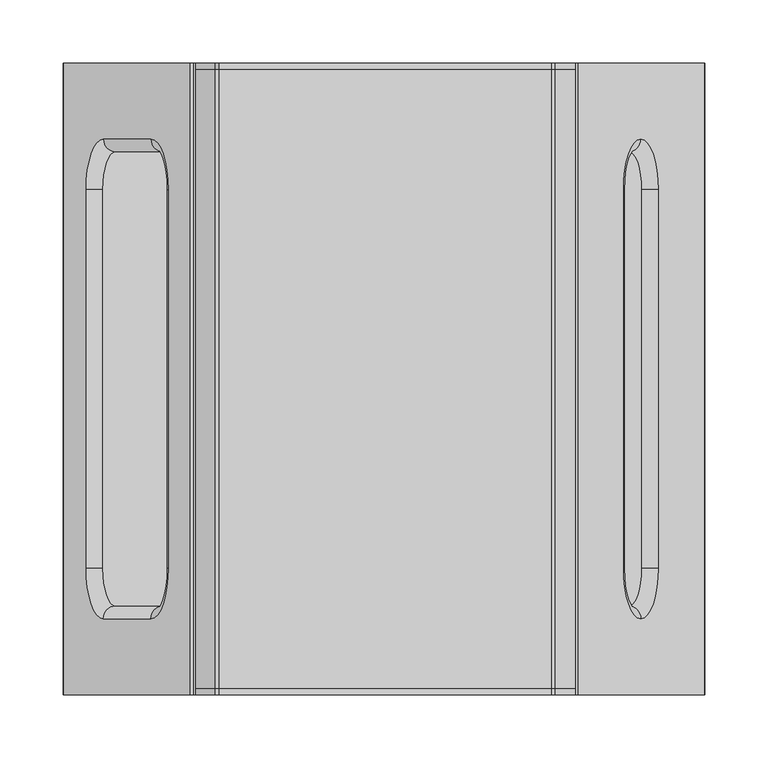
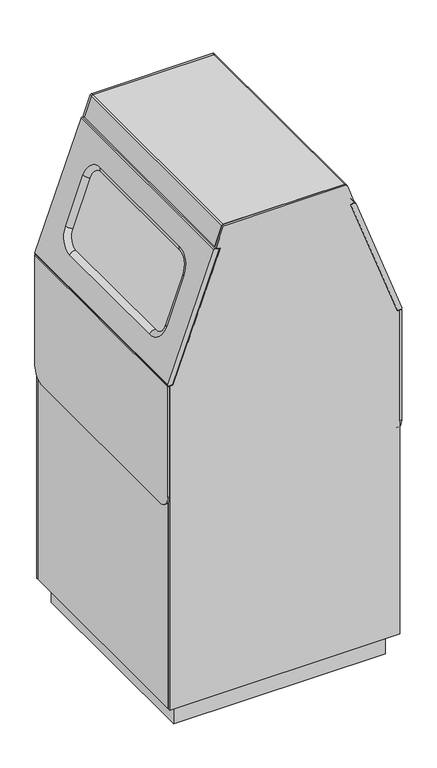
"""IFC4 building model written with IfcOpenShell, lengths in millimetres: furniture geometry."""

from ifc_helpers import new_model, si_unit, point, frame, frame_2d, origin, origin_with_axes, place, context, project, spatial, polyline, circle_curve, ellipse_curve, trimmed, segment, composite_curve, outline, extrude, source, transform, mapped, element, save
from ifc_brep_helpers import plane_surface, cylinder_surface, revolved_surface, advanced_brep


def furniture_3913953d(model_context):
    return source(origin(), model_context, "Body", "SolidModel", [
        extrude(outline(polyline([(232.491566, 230.0), (232.491566, -230.0), (-227.491566, -230.0), (-227.491566, 230.0), (232.491566, 230.0)])), origin_with_axes(), (0.0, 0.0, 1.0), 50.1281076),
        advanced_brep(
        [(146.0932396, -250.0, 1072.1902417), (246.5647051, -250.0, 795.7630514), (254.383259, -250.0, 795.7627889), (256.2410158, -250.0, 798.4145852), (156.1722964, -250.0, 1073.7336998), (153.6191469, -250.0, 1074.9256417), (146.0932396, 250.0, 1072.1902417), (153.6191469, 250.0, 1074.9256417), (156.1722964, 250.0, 1073.7336998), (256.2410158, 250.0, 798.4145852), (254.383259, 250.0, 795.7627889), (246.5647051, 250.0, 795.7630514), (186.0844766, -149.9027397, 962.1623325), (196.3307232, -179.8975729, 933.9718296), (206.5769697, -149.9027397, 905.7813268), (206.5769697, 149.9027397, 905.7813268), (196.3307232, 179.8975729, 933.9718296), (186.0844766, 149.9027397, 962.1623325), (205.7291761, -189.9027397, 937.3878335), (192.0651608, -149.9027397, 974.9816452), (192.0651608, 149.9027397, 974.9816452), (205.7291761, 189.9027397, 937.3878335), (219.3931914, 149.9027397, 899.7940217), (219.3931914, -149.9027397, 899.7940217)],
        [
            (0, 1),
            (1, 2),
            (2, 3, circle_curve(frame((254.3833253, -250.0, 797.7393807), z_axis=(0.0, -1.0, 0.0), x_axis=(1.0, 0.0, 0.0)), 1.9765918)),
            (3, 4),
            (4, 5, circle_curve(frame((154.2997508, -250.0, 1073.053096), z_axis=(0.0, -1.0, 0.0), x_axis=(1.0, 0.0, 0.0)), 1.9923978)),
            (5, 0),
            (6, 7),
            (7, 8, circle_curve(frame((154.2997508, 250.0, 1073.053096), z_axis=(0.0, 1.0, 0.0), x_axis=(1.0, 0.0, 0.0)), 1.9923978)),
            (8, 9),
            (9, 10, circle_curve(frame((254.3833253, 250.0, 797.7393807), z_axis=(0.0, 1.0, 0.0), x_axis=(1.0, 0.0, 0.0)), 1.9765918)),
            (10, 11),
            (11, 6),
            (0, 6),
            (11, 1),
            (12, 13, circle_curve(frame((196.3307232, -149.9027397, 933.9718296), z_axis=(0.9398452948509541, 0.0, 0.3416003831182324), x_axis=(-0.3416003831182324, 0.0, 0.9398452948509541)), 29.9948332)),
            (13, 14, circle_curve(frame((196.3307232, -149.9027397, 933.9718296), z_axis=(0.9398452948509541, 0.0, 0.3416003831182324), x_axis=(0.0, -1.0, 0.0)), 29.9948332)),
            (14, 15),
            (15, 16, circle_curve(frame((196.3307232, 149.9027397, 933.9718296), z_axis=(0.9398452948509541, 0.0, 0.3416003831182324), x_axis=(0.3416003831182324, 0.0, -0.9398452948509541)), 29.9948332)),
            (16, 17, circle_curve(frame((196.3307232, 149.9027397, 933.9718296), z_axis=(0.9398452948509541, 0.0, 0.3416003831182324), x_axis=(0.0, 1.0, 0.0)), 29.9948332)),
            (17, 12),
            (10, 2),
            (9, 3),
            (8, 4),
            (18, 19, circle_curve(frame((205.7291761, -149.9027397, 937.3878335), z_axis=(-0.9398452948509541, 0.0, -0.3416003831182324), x_axis=(-0.3416003831182324, 0.0, 0.9398452948509541)), 40.0)),
            (19, 20),
            (20, 21, circle_curve(frame((205.7291761, 149.9027397, 937.3878335), z_axis=(-0.9398452948509541, 0.0, -0.3416003831182324), x_axis=(0.0, 1.0, 0.0)), 40.0)),
            (21, 22, circle_curve(frame((205.7291761, 149.9027397, 937.3878335), z_axis=(-0.9398452948509541, 0.0, -0.3416003831182324), x_axis=(0.3416003831182324, 0.0, -0.9398452948509541)), 40.0)),
            (22, 23),
            (23, 18, circle_curve(frame((205.7291761, -149.9027397, 937.3878335), z_axis=(-0.9398452948509541, 0.0, -0.3416003831182324), x_axis=(0.0, -1.0, 0.0)), 40.0)),
            (7, 5),
            (12, 19, circle_curve(frame((182.6618506, -149.9027397, 971.563876), z_axis=(0.0, -1.0, 0.0), x_axis=(-1.0, 0.0, 0.0)), 10.0051681)),
            (18, 13, circle_curve(frame((196.3258659, -189.9027397, 933.9700642), z_axis=(-0.34160038311823226, 0.0, 0.9398452948509541), x_axis=(-0.8833091782534778, -0.3416003831182324, -0.32105151279295163)), 10.0051681)),
            (23, 14, circle_curve(frame((209.9898813, -149.9027397, 896.3762524), z_axis=(0.0, -1.0, 0.0), x_axis=(-0.7666183565069538, 0.0, -0.642103025585908)), 10.0051681)),
            (22, 15, circle_curve(frame((209.9898813, 149.9027397, 896.3762524), z_axis=(0.0, -1.0, 0.0), x_axis=(-0.7666183565069538, 0.0, -0.642103025585908)), 10.0051681)),
            (21, 16, circle_curve(frame((196.3258659, 189.9027397, 933.9700642), z_axis=(0.3416003831182325, 0.0, -0.9398452948509544), x_axis=(-0.8833091782534752, 0.3416003831182325, -0.3210515127929585)), 10.0051681)),
            (20, 17, circle_curve(frame((182.6618506, 149.9027397, 971.563876), z_axis=(0.0, 1.0000000000000002, 0.0), x_axis=(-1.0, 0.0, 0.0)), 10.0051681)),
        ],
        [
            plane_surface(frame((246.5647051, -250.0, 795.7630514), z_axis=(0.0, -1.0, 0.0), x_axis=(0.3416003831181263, 0.0, -0.9398452948509927))),
            plane_surface(frame((246.5647051, 250.0, 795.7630514), z_axis=(0.0, 1.0, 0.0), x_axis=(-0.3416003831181263, 0.0, 0.9398452948509927))),
            plane_surface(frame((146.0932396, -250.0, 1072.1902417), z_axis=(-0.9398452948509927, 0.0, -0.3416003831181263), x_axis=(0.0, 1.0, 0.0))),
            plane_surface(frame((246.5647051, -250.0, 795.7630514), z_axis=(-3.3566365622777426e-05, 0.0, -0.9999999994366495), x_axis=(0.0, 1.0, 0.0))),
            cylinder_surface(frame((254.3833253, 250.0, 797.7393807), z_axis=(0.0, -1.0, 0.0), x_axis=(1.0, 0.0, 0.0)), 1.9765918),
            plane_surface(frame((256.2410158, -250.0, 798.4145852), z_axis=(0.9398452948509542, 0.0, 0.34160038311823204), x_axis=(0.0, 1.0, 0.0))),
            cylinder_surface(frame((154.2997508, 250.0, 1073.053096), z_axis=(0.0, -1.0, 0.0), x_axis=(1.0, 0.0, 0.0)), 1.9923978),
            plane_surface(frame((153.6191469, -250.0, 1074.9256417), z_axis=(-0.34160038311813345, 0.0, 0.9398452948509901), x_axis=(0.0, 1.0, 0.0))),
            revolved_surface(trimmed(ellipse_curve(frame((182.6618506, -149.9027397, 971.563876), z_axis=(0.0, 1.0, 0.0), x_axis=(-1.0, 0.0, 0.0)), 10.0051681, 10.0051681), [point((192.0651608, -149.9027397, 974.9816452))], [point((186.0844766, -149.9027397, 962.1623325))], True, "CARTESIAN"), (205.7291761, -149.9027397, 937.3878335), (0.9398452948509541, 0.0, 0.3416003831182324)),
            revolved_surface(trimmed(ellipse_curve(frame((196.3258659, -189.9027397, 933.9700642), z_axis=(-0.34160038311823243, 0.0, 0.9398452948509541), x_axis=(-0.8833091782534769, -0.3416003831182324, -0.3210515127929541)), 10.0051681, 10.0051681), [point((205.7291761, -189.9027397, 937.3878335))], [point((196.3307232, -179.8975729, 933.9718296))], True, "CARTESIAN"), (205.7291761, -149.9027397, 937.3878335), (0.9398452948509541, 0.0, 0.3416003831182324)),
            cylinder_surface(frame((209.9898813, -149.9027397, 896.3762524), z_axis=(0.0, -1.0, 0.0), x_axis=(-0.7666183565069538, 0.0, -0.642103025585908)), 10.0051681),
            revolved_surface(trimmed(ellipse_curve(frame((209.9898813, 149.9027397, 896.3762524), z_axis=(0.0, -1.0000000000000002, 0.0), x_axis=(-0.7666183565069538, 0.0, -0.6421030255859081)), 10.0051681, 10.0051681), [point((219.3931914, 149.9027397, 899.7940217))], [point((206.5769697, 149.9027397, 905.7813268))], True, "CARTESIAN"), (205.7291761, 149.9027397, 937.3878335), (0.9398452948509541, 0.0, 0.3416003831182324)),
            revolved_surface(trimmed(ellipse_curve(frame((196.3258659, 189.9027397, 933.9700642), z_axis=(0.34160038311823243, 0.0, -0.9398452948509544), x_axis=(-0.8833091782534765, 0.3416003831182325, -0.3210515127929551)), 10.0051681, 10.0051681), [point((205.7291761, 189.9027397, 937.3878335))], [point((196.3307232, 179.8975729, 933.9718296))], True, "CARTESIAN"), (205.7291761, 149.9027397, 937.3878335), (0.9398452948509541, 0.0, 0.3416003831182324)),
            cylinder_surface(frame((182.6618506, 149.9027397, 971.563876), z_axis=(0.0, 1.0, 0.0), x_axis=(-1.0, 0.0, 0.0)), 10.0051681),
        ],
        [
            (0, [[1, 2, 3, 4, 5, 6]]),
            (1, [[7, 8, 9, 10, 11, 12]]),
            (2, [[-1, 13, -12, 14], [15, 16, 17, 18, 19, 20]]),
            (3, [[-2, -14, -11, 21]]),
            (4, [[-3, -21, -10, 22]]),
            (5, [[-4, -22, -9, 23], [24, 25, 26, 27, 28, 29]]),
            (6, [[-5, -23, -8, 30]]),
            (7, [[-6, -30, -7, -13]]),
            (8, [[-15, 31, -24, 32]]),
            (9, [[-32, -29, 33, -16]]),
            (10, [[-33, -28, 34, -17]]),
            (11, [[-34, -27, 35, -18]]),
            (12, [[-35, -26, 36, -19]]),
            (13, [[-31, -20, -36, -25]]),
        ],
    ),
        advanced_brep(
        [(-141.0932396, -250.0, 1072.1902417), (-148.6191469, -250.0, 1074.9256417), (-151.1722964, -250.0, 1073.7336998), (-251.2410158, -250.0, 798.4145852), (-249.383259, -250.0, 795.7627889), (-241.5647051, -250.0, 795.7630514), (-141.0932396, 250.0, 1072.1902417), (-241.5647051, 250.0, 795.7630514), (-249.383259, 250.0, 795.7627889), (-251.2410158, 250.0, 798.4145852), (-151.1722964, 250.0, 1073.7336998), (-148.6191469, 250.0, 1074.9256417), (-172.5427021, -179.8975729, 985.6633208), (-162.2964556, -149.9027397, 1013.8538237), (-162.2964556, 149.9027397, 1013.8538237), (-172.5427021, 179.8975729, 985.6633208), (-210.1187442, 179.8975729, 882.2803384), (-220.3649908, 149.9027397, 854.0898355), (-220.3649908, -149.9027397, 854.0898355), (-210.1187442, -179.8975729, 882.2803384), (-168.2771397, -149.9027397, 1026.6731365), (-181.941155, -189.9027397, 989.0793247), (-219.5171972, -189.9027397, 885.6963422), (-233.1812125, -149.9027397, 848.1025304), (-233.1812125, 149.9027397, 848.1025304), (-219.5171972, 189.9027397, 885.6963422), (-181.941155, 189.9027397, 989.0793247), (-168.2771397, 149.9027397, 1026.6731365)],
        [
            (0, 1),
            (1, 2, circle_curve(frame((-149.2997508, -250.0, 1073.053096), z_axis=(0.0, -1.0, 0.0), x_axis=(-1.0, 0.0, 0.0)), 1.9923978)),
            (2, 3),
            (3, 4, circle_curve(frame((-249.3833253, -250.0, 797.7393807), z_axis=(0.0, -1.0, 0.0), x_axis=(-1.0, 0.0, 0.0)), 1.9765918)),
            (4, 5),
            (5, 0),
            (6, 7),
            (7, 8),
            (8, 9, circle_curve(frame((-249.3833253, 250.0, 797.7393807), z_axis=(0.0, 1.0, 0.0), x_axis=(-1.0, 0.0, 0.0)), 1.9765918)),
            (9, 10),
            (10, 11, circle_curve(frame((-149.2997508, 250.0, 1073.053096), z_axis=(0.0, 1.0, 0.0), x_axis=(-1.0, 0.0, 0.0)), 1.9923978)),
            (11, 6),
            (5, 7),
            (6, 0),
            (12, 13, circle_curve(frame((-172.5427021, -149.9027397, 985.6633208), z_axis=(-0.9398452948509541, 0.0, 0.3416003831182324), x_axis=(0.3416003831182324, 0.0, 0.9398452948509541)), 29.9948332)),
            (13, 14),
            (14, 15, circle_curve(frame((-172.5427021, 149.9027397, 985.6633208), z_axis=(-0.9398452948509541, 0.0, 0.3416003831182324), x_axis=(0.0, 1.0, 0.0)), 29.9948332)),
            (15, 16),
            (16, 17, circle_curve(frame((-210.1187442, 149.9027397, 882.2803384), z_axis=(-0.9398452948509541, 0.0, 0.3416003831182324), x_axis=(-0.3416003831182324, 0.0, -0.9398452948509541)), 29.9948332)),
            (17, 18),
            (18, 19, circle_curve(frame((-210.1187442, -149.9027397, 882.2803384), z_axis=(-0.9398452948509541, 0.0, 0.3416003831182324), x_axis=(0.0, -1.0, 0.0)), 29.9948332)),
            (19, 12),
            (4, 8),
            (3, 9),
            (2, 10),
            (20, 21, circle_curve(frame((-181.941155, -149.9027397, 989.0793247), z_axis=(0.9398452948509541, 0.0, -0.3416003831182324), x_axis=(0.3416003831182324, 0.0, 0.9398452948509541)), 40.0)),
            (21, 22),
            (22, 23, circle_curve(frame((-219.5171972, -149.9027397, 885.6963422), z_axis=(0.9398452948509541, 0.0, -0.3416003831182324), x_axis=(0.0, -1.0, 0.0)), 40.0)),
            (23, 24),
            (24, 25, circle_curve(frame((-219.5171972, 149.9027397, 885.6963422), z_axis=(0.9398452948509541, 0.0, -0.3416003831182324), x_axis=(-0.3416003831182324, 0.0, -0.9398452948509541)), 40.0)),
            (25, 26),
            (26, 27, circle_curve(frame((-181.941155, 149.9027397, 989.0793247), z_axis=(0.9398452948509541, 0.0, -0.3416003831182324), x_axis=(0.0, 1.0, 0.0)), 40.0)),
            (27, 20),
            (1, 11),
            (20, 13, circle_curve(frame((-158.8738295, -149.9027397, 1023.2553672), z_axis=(0.0, -1.0, 0.0), x_axis=(1.0, 0.0, 0.0)), 10.0051681)),
            (12, 21, circle_curve(frame((-172.5378449, -189.9027397, 985.6615554), z_axis=(0.3416003831182322, 0.0, 0.9398452948509541), x_axis=(0.883309178253477, -0.34160038311823243, -0.32105151279295385)), 10.0051681)),
            (19, 22, circle_curve(frame((-210.113887, -189.9027397, 882.278573), z_axis=(0.34160038311823226, 0.0, 0.9398452948509541), x_axis=(0.8833091782534771, -0.34160038311823243, -0.3210515127929534)), 10.0051681)),
            (18, 23, circle_curve(frame((-223.7779023, -149.9027397, 844.6847612), z_axis=(0.0, -1.0000000000000002, 0.0), x_axis=(0.7666183565069538, 0.0, -0.6421030255859081)), 10.0051681)),
            (17, 24, circle_curve(frame((-223.7779023, 149.9027397, 844.6847612), z_axis=(0.0, -1.0, 0.0), x_axis=(0.7666183565069536, 0.0, -0.6421030255859081)), 10.0051681)),
            (16, 25, circle_curve(frame((-210.113887, 189.9027397, 882.278573), z_axis=(-0.3416003831182326, 0.0, -0.9398452948509542), x_axis=(0.8833091782534762, 0.34160038311823254, -0.32105151279295585)), 10.0051681)),
            (15, 26, circle_curve(frame((-172.5378449, 189.9027397, 985.6615554), z_axis=(-0.3416003831182326, 0.0, -0.9398452948509541), x_axis=(0.883309178253477, 0.3416003831182326, -0.3210515127929537)), 10.0051681)),
            (14, 27, circle_curve(frame((-158.8738295, 149.9027397, 1023.2553672), z_axis=(0.0, 1.0, 0.0), x_axis=(1.0, 0.0, 0.0)), 10.0051681)),
        ],
        [
            plane_surface(frame((-148.612002, -250.0, 1074.9230447), z_axis=(0.0, -1.0, 0.0), x_axis=(-0.9398452948509906, 0.0, 0.34160038311813207))),
            plane_surface(frame((-148.612002, 250.0, 1074.9230447), z_axis=(0.0, 1.0, 0.0), x_axis=(0.9398452948509906, 0.0, -0.34160038311813207))),
            plane_surface(frame((-241.5647051, -250.0, 795.7630514), z_axis=(0.9398452948509927, 0.0, -0.34160038311812635), x_axis=(0.0, 1.0, 0.0))),
            plane_surface(frame((-249.383259, -250.0, 795.7627889), z_axis=(3.3566365622777426e-05, 0.0, -0.9999999994366495), x_axis=(0.0, 1.0, 0.0))),
            cylinder_surface(frame((-249.3833253, 250.0, 797.7393807), z_axis=(0.0, -1.0, 0.0), x_axis=(-1.0, 0.0, 0.0)), 1.9765918),
            plane_surface(frame((-151.1722964, -250.0, 1073.7336998), z_axis=(-0.9398452948509542, 0.0, 0.3416003831182321), x_axis=(0.0, 1.0, 0.0))),
            cylinder_surface(frame((-149.2997508, 250.0, 1073.053096), z_axis=(0.0, -1.0, 0.0), x_axis=(-1.0, 0.0, 0.0)), 1.9923978),
            plane_surface(frame((-141.0932396, -250.0, 1072.1902417), z_axis=(0.34160038311813207, 0.0, 0.9398452948509906), x_axis=(0.0, 1.0, 0.0))),
            revolved_surface(trimmed(ellipse_curve(frame((-158.8738295, -149.9027397, 1023.2553672), z_axis=(0.0, 1.0, 0.0), x_axis=(1.0, 0.0, 0.0)), 10.0051681, 10.0051681), [point((-162.2964556, -149.9027397, 1013.8538237))], [point((-168.2771397, -149.9027397, 1026.6731365))], True, "CARTESIAN"), (-181.941155, -149.9027397, 989.0793247), (0.9398452948509541, 0.0, -0.3416003831182324)),
            cylinder_surface(frame((-172.5378449, -189.9027397, 985.6615554), z_axis=(0.3416003831182323, 0.0, 0.9398452948509544), x_axis=(0.8833091782534771, -0.34160038311823243, -0.3210515127929534)), 10.0051681),
            revolved_surface(trimmed(ellipse_curve(frame((-210.113887, -189.9027397, 882.278573), z_axis=(0.34160038311823226, 0.0, 0.9398452948509545), x_axis=(0.8833091782534771, -0.3416003831182325, -0.32105151279295385)), 10.0051681, 10.0051681), [point((-210.1187442, -179.8975729, 882.2803384))], [point((-219.5171972, -189.9027397, 885.6963422))], True, "CARTESIAN"), (-219.5171972, -149.9027397, 885.6963422), (0.9398452948509541, 0.0, -0.3416003831182324)),
            cylinder_surface(frame((-223.7779023, -149.9027397, 844.6847612), z_axis=(0.0, -1.0, 0.0), x_axis=(0.7666183565069536, 0.0, -0.6421030255859081)), 10.0051681),
            revolved_surface(trimmed(ellipse_curve(frame((-223.7779023, 149.9027397, 844.6847612), z_axis=(0.0, -1.0000000000000002, 0.0), x_axis=(0.7666183565069536, 0.0, -0.6421030255859081)), 10.0051681, 10.0051681), [point((-220.3649908, 149.9027397, 854.0898355))], [point((-233.1812125, 149.9027397, 848.1025304))], True, "CARTESIAN"), (-219.5171972, 149.9027397, 885.6963422), (0.9398452948509541, 0.0, -0.3416003831182324)),
            cylinder_surface(frame((-210.113887, 189.9027397, 882.278573), z_axis=(-0.3416003831182326, 0.0, -0.9398452948509541), x_axis=(0.883309178253477, 0.3416003831182326, -0.3210515127929537)), 10.0051681),
            revolved_surface(trimmed(ellipse_curve(frame((-172.5378449, 189.9027397, 985.6615554), z_axis=(-0.34160038311823243, 0.0, -0.9398452948509541), x_axis=(0.8833091782534768, 0.34160038311823265, -0.3210515127929541)), 10.0051681, 10.0051681), [point((-172.5427021, 179.8975729, 985.6633208))], [point((-181.941155, 189.9027397, 989.0793247))], True, "CARTESIAN"), (-181.941155, 149.9027397, 989.0793247), (0.9398452948509541, 0.0, -0.3416003831182324)),
            cylinder_surface(frame((-158.8738295, 149.9027397, 1023.2553672), z_axis=(0.0, 1.0, 0.0), x_axis=(1.0, 0.0, 0.0)), 10.0051681),
        ],
        [
            (0, [[1, 2, 3, 4, 5, 6]]),
            (1, [[7, 8, 9, 10, 11, 12]]),
            (2, [[-6, 13, -7, 14], [15, 16, 17, 18, 19, 20, 21, 22]]),
            (3, [[-5, 23, -8, -13]]),
            (4, [[-4, 24, -9, -23]]),
            (5, [[-3, 25, -10, -24], [26, 27, 28, 29, 30, 31, 32, 33]]),
            (6, [[-2, 34, -11, -25]]),
            (7, [[-1, -14, -12, -34]]),
            (8, [[-26, 35, -15, 36]]),
            (9, [[-36, -22, 37, -27]]),
            (10, [[-37, -21, 38, -28]]),
            (11, [[-38, -20, 39, -29]]),
            (12, [[-39, -19, 40, -30]]),
            (13, [[-40, -18, 41, -31]]),
            (14, [[-41, -17, 42, -32]]),
            (15, [[-35, -33, -42, -16]]),
        ],
    ),
        extrude(outline(composite_curve([segment(trimmed(circle_curve(frame_2d((-199.9292735, 321.8937075)), 11.5), [point((-211.4292735, 321.8937075))], [point((-188.4292735, 321.8937075))], False, "CARTESIAN"), True, "CONTINUOUS"), segment(trimmed(circle_curve(frame_2d((-199.9292735, 321.8937075)), 11.5), [point((-188.4292735, 321.8937075))], [point((-211.4292735, 321.8937075))], False, "CARTESIAN"), True, "CONTINUOUS")], self_intersect=False), holes=[polyline([(-200.0, 329.4287371), (-206.5, 325.6759604), (-206.5, 318.1704069), (-200.0, 314.4176301), (-193.5, 318.1704069), (-193.5, 325.6759604), (-200.0, 329.4287371)])]), frame((232.5, 0.0, 0.0), z_axis=(1.0, 0.0, 0.0), x_axis=(0.0, 1.0, 0.0)), (0.0, 0.0, 1.0), 23.0),
        extrude(outline(composite_curve([segment(trimmed(circle_curve(frame_2d((-219.9997434, 540.6855894)), 30.0), [point((-219.9997434, 510.6855894))], [point((-249.9997434, 540.6855894))], False, "CARTESIAN"), True, "CONTINUOUS"), segment(polyline([(-249.9997434, 540.6855894), (-249.9997434, 793.8833608), (250.0002566, 793.8833608), (250.0002566, 540.6855894)]), True, "CONTINUOUS"), segment(trimmed(circle_curve(frame_2d((220.0002566, 540.6855894)), 30.0), [point((250.0002566, 540.6855894))], [point((220.0002566, 510.6855894))], False, "CARTESIAN"), True, "CONTINUOUS"), segment(polyline([(220.0002566, 510.6855894), (-219.9997434, 510.6855894)]), True, "CONTINUOUS")], self_intersect=False)), frame((-251.3430433, 0.0, 0.0), z_axis=(1.0, 0.0, 0.0), x_axis=(0.0, 1.0, 0.0)), (0.0, 0.0, 1.0), 3.8430433),
        extrude(outline(composite_curve([segment(trimmed(circle_curve(frame_2d((-219.9997434, 540.6855894)), 30.0), [point((-219.9997434, 510.6855894))], [point((-249.9997434, 540.6855894))], False, "CARTESIAN"), True, "CONTINUOUS"), segment(polyline([(-249.9997434, 540.6855894), (-249.9997434, 793.8833608), (250.0002566, 793.8833608), (250.0002566, 540.6855894)]), True, "CONTINUOUS"), segment(trimmed(circle_curve(frame_2d((220.0002566, 540.6855894)), 30.0), [point((250.0002566, 540.6855894))], [point((220.0002566, 510.6855894))], False, "CARTESIAN"), True, "CONTINUOUS"), segment(polyline([(220.0002566, 510.6855894), (-219.9997434, 510.6855894)]), True, "CONTINUOUS")], self_intersect=False)), frame((252.5, 0.0, 0.0), z_axis=(1.0, 0.0, 0.0), x_axis=(0.0, 1.0, 0.0)), (0.0, 0.0, 1.0), 3.606065),
        extrude(outline(polyline([(50.1281076, -247.5), (50.1281076, 252.5), (793.8833608, 252.5), (793.8833608, 247.5), (788.8833608, 247.5), (54.1281076, 247.5), (54.1281076, -242.5), (788.8833608, -242.5), (793.8833608, -242.5), (793.8833608, -247.5), (50.1281076, -247.5)])), frame((0.0, -245.0, 0.0), z_axis=(0.0, 1.0, 0.0), x_axis=(0.0, 0.0, 1.0)), (0.0, 0.0, 1.0), 490.0),
        extrude(outline(composite_curve([segment(polyline([(1076.8473286, -146.3877732), (1073.7055658, -137.7406728), (1076.5370988, -136.7118881), (1078.6572512, -142.5472017), (1118.8883724, -128.0565946), (1118.8883724, 135.317614), (1078.6525529, 149.8099134), (1076.5514984, 143.9766328), (1073.7055658, 145.0016923), (1076.8232385, 153.6574695), (1119.9320358, 138.1303695)]), True, "CONTINUOUS"), segment(trimmed(circle_curve(frame_2d((1118.92928, 135.34636)), 2.9590923), [point((1119.9320358, 138.1303695))], [point((1121.8883724, 135.34636))], False, "CARTESIAN"), True, "CONTINUOUS"), segment(polyline([(1121.8883724, 135.34636), (1121.8883724, -128.0314311)]), True, "CONTINUOUS"), segment(trimmed(circle_curve(frame_2d((1118.8525629, -128.0314311)), 3.0358095), [point((1121.8883724, -128.0314311))], [point((1119.8813159, -130.8876185))], False, "CARTESIAN"), True, "CONTINUOUS"), segment(polyline([(1119.8813159, -130.8876185), (1076.8473286, -146.3877732)]), True, "CONTINUOUS")], self_intersect=False)), frame((0.0, -245.0, 0.0), z_axis=(0.0, 1.0, 0.0), x_axis=(0.0, 0.0, 1.0)), (0.0, 0.0, 1.0), 490.0),
        extrude(outline(composite_curve([segment(polyline([(50.1281076, -247.5), (50.1281076, 252.5), (793.8833608, 252.5), (793.8833608, 246.6698772), (1073.7055658, 145.0016923), (1076.8232385, 153.6574695), (1119.9320358, 138.1303695)]), True, "CONTINUOUS"), segment(trimmed(circle_curve(frame_2d((1118.92928, 135.34636)), 2.9590923), [point((1119.9320358, 138.1303695))], [point((1121.8883724, 135.34636))], False, "CARTESIAN"), True, "CONTINUOUS"), segment(polyline([(1121.8883724, 135.34636), (1121.8883724, -128.0314311)]), True, "CONTINUOUS"), segment(trimmed(circle_curve(frame_2d((1118.8525629, -128.0314311)), 3.0358095), [point((1121.8883724, -128.0314311))], [point((1119.8813159, -130.8876185))], False, "CARTESIAN"), True, "CONTINUOUS"), segment(polyline([(1119.8813159, -130.8876185), (1076.8473286, -146.3877732), (1073.7055658, -137.7406728), (793.8833608, -239.4088578), (793.8833608, -247.5), (50.1281076, -247.5)]), True, "CONTINUOUS")], self_intersect=False)), frame((0.0, 245.0, 0.0), z_axis=(0.0, 1.0, 0.0), x_axis=(0.0, 0.0, 1.0)), (0.0, 0.0, 1.0), 5.0),
        extrude(outline(composite_curve([segment(polyline([(50.1281076, -247.5), (50.1281076, 252.5), (793.8833608, 252.5), (793.8833608, 246.6698772), (1073.7055658, 145.0016923), (1076.8232385, 153.6574695), (1119.9320358, 138.1303695)]), True, "CONTINUOUS"), segment(trimmed(circle_curve(frame_2d((1118.92928, 135.34636)), 2.9590923), [point((1119.9320358, 138.1303695))], [point((1121.8883724, 135.34636))], False, "CARTESIAN"), True, "CONTINUOUS"), segment(polyline([(1121.8883724, 135.34636), (1121.8883724, -128.0314311)]), True, "CONTINUOUS"), segment(trimmed(circle_curve(frame_2d((1118.8525629, -128.0314311)), 3.0358095), [point((1121.8883724, -128.0314311))], [point((1119.8813159, -130.8876185))], False, "CARTESIAN"), True, "CONTINUOUS"), segment(polyline([(1119.8813159, -130.8876185), (1076.8473286, -146.3877732), (1073.7055658, -137.7406728), (793.8833608, -239.4088578), (793.8833608, -247.5), (50.1281076, -247.5)]), True, "CONTINUOUS")], self_intersect=False)), frame((0.0, -250.0, 0.0), z_axis=(0.0, 1.0, 0.0), x_axis=(0.0, 0.0, 1.0)), (0.0, 0.0, 1.0), 5.0),
    ])


if __name__ == "__main__":
    model = new_model("IFC4")
    model_context = context("Model", 3, world=origin())
    ifc_project = project(units=[si_unit("LENGTHUNIT", "METRE", prefix="MILLI")], contexts=[model_context])
    site = spatial("IfcSite", under=ifc_project)
    building = spatial("IfcBuilding", under=site)
    placement = place(None, origin())
    furniture_shape = furniture_3913953d(model_context)
    element("IfcFurniture", 1, at=placement, inside=building, context=model_context, shape_type="MappedRepresentation", body=[
        mapped(furniture_shape, transform((0.0, 0.0, 0.0), x_axis=(1.0, 0.0, 0.0), y_axis=(0.0, 1.0, 0.0), z_axis=(0.0, 0.0, 1.0))),
    ])
    save(model, "model.ifc")
